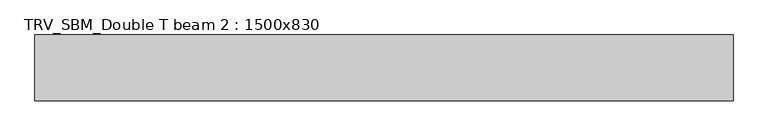
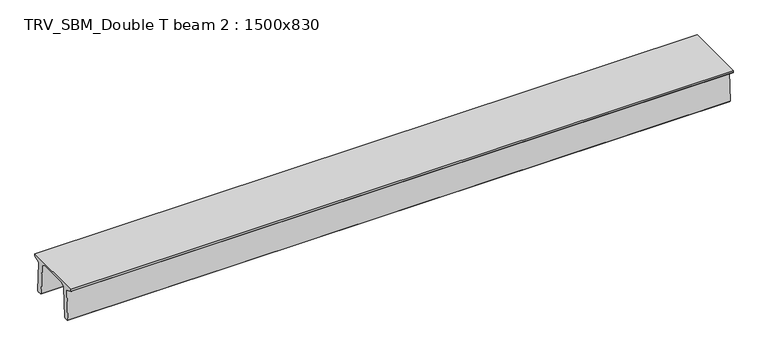
"""IFC4 building model written with IfcOpenShell, lengths in millimetres: beam geometry, TRV_SBM_Double T beam 2 : 1500x830."""

from ifc_helpers import new_model, si_unit, frame, origin, place, context, project, spatial, polyline, outline, extrude, source, transform, mapped, element, save


def trv_sbm_double_t_beam_2_1500x830_a0af2dd9(model_context):
    return source(origin(), model_context, "Body", "SweptSolid", [
        extrude(outline(polyline([(337.4555014, 470.0), (-343.4555014, 470.0), (-456.5828437, 409.8491251), (-494.786332, -340.5206011), (-514.2657308, -360.0), (-604.2657308, -360.0), (-624.8277662, -339.4379646), (-586.9373878, 401.9654693), (-752.8511046, 468.9989621), (-753.0, 475.0), (-753.0, 520.0), (747.0, 520.0), (747.0, 475.0), (746.8511046, 468.9989621), (580.9373878, 401.9654693), (618.8277662, -339.4379646), (598.2657308, -360.0), (508.2657308, -360.0), (488.786332, -340.5206011), (450.5828437, 409.8491251), (337.4555014, 470.0)])), frame((-7929.0, 0.0, 0.0), z_axis=(1.0, 0.0, 0.0), x_axis=(0.0, 1.0, 0.0)), (0.0, 0.0, 1.0), 15935.0),
    ])


if __name__ == "__main__":
    model = new_model("IFC4")
    model_context = context("Model", 3, world=origin())
    ifc_project = project(units=[si_unit("LENGTHUNIT", "METRE", prefix="MILLI")], contexts=[model_context])
    site = spatial("IfcSite", under=ifc_project)
    building = spatial("IfcBuilding", under=site)
    placement = place(None, origin())
    trv_sbm_double_t_beam_2_1500x830_shape = trv_sbm_double_t_beam_2_1500x830_a0af2dd9(model_context)
    element("IfcBeam", 1, ObjectType="TRV_SBM_Double T beam 2 : 1500x830", at=placement, inside=building, context=model_context, shape_type="MappedRepresentation", body=[
        mapped(trv_sbm_double_t_beam_2_1500x830_shape, transform((0.0, 0.0, 0.0), x_axis=(1.0, 0.0, 0.0), y_axis=(0.0, 1.0, 0.0), z_axis=(0.0, 0.0, 1.0))),
    ])
    save(model, "model.ifc")
